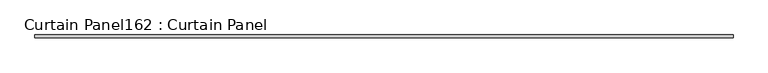
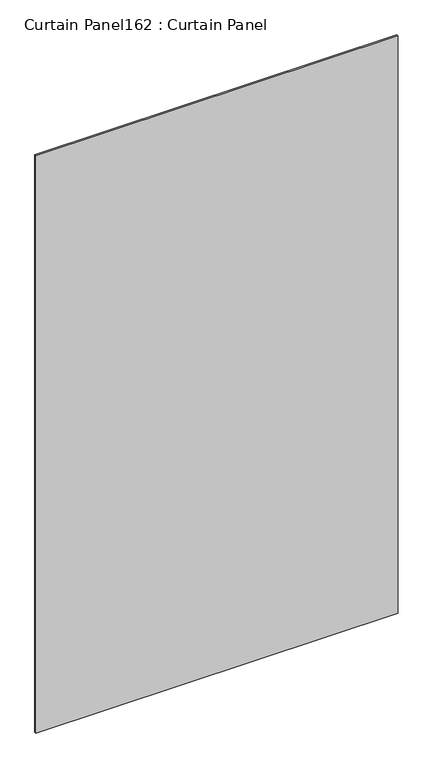
"""IFC4 building model written with IfcOpenShell, lengths in millimetres: plate geometry, Curtain Panel162 : Curtain Panel."""

from ifc_helpers import new_model, si_unit, frame, origin, place, context, project, spatial, polyline, outline, extrude, source, transform, mapped, element, save


def curtain_panel162_curtain_panel_cc5270b9(model_context):
    return source(origin(), model_context, "Body", "SweptSolid", [
        extrude(outline(polyline([(445400.0072319, 2305.3839321), (439417.9611655, 2305.3839321), (439417.9611655, 2330.7839321), (445400.0072319, 2330.7839321), (445400.0072319, 2305.3839321)])), frame((0.0, 0.0, 5171.9382155), z_axis=(0.0, 0.0, 1.0), x_axis=(1.0, 0.0, 0.0)), (0.0, 0.0, 1.0), 10074.7501351),
    ])


if __name__ == "__main__":
    model = new_model("IFC4")
    model_context = context("Model", 3, world=origin())
    ifc_project = project(units=[si_unit("LENGTHUNIT", "METRE", prefix="MILLI")], contexts=[model_context])
    site = spatial("IfcSite", under=ifc_project)
    building = spatial("IfcBuilding", under=site)
    placement = place(None, origin())
    curtain_panel162_curtain_panel_shape = curtain_panel162_curtain_panel_cc5270b9(model_context)
    element("IfcPlate", 1, ObjectType="Curtain Panel162 : Curtain Panel", at=placement, inside=building, context=model_context, shape_type="MappedRepresentation", body=[
        mapped(curtain_panel162_curtain_panel_shape, transform((0.0, 0.0, 0.0), x_axis=(1.0, 0.0, 0.0), y_axis=(0.0, 1.0, 0.0), z_axis=(0.0, 0.0, 1.0))),
    ])
    save(model, "model.ifc")
